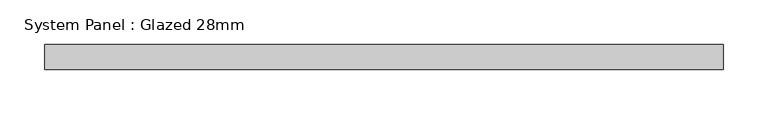
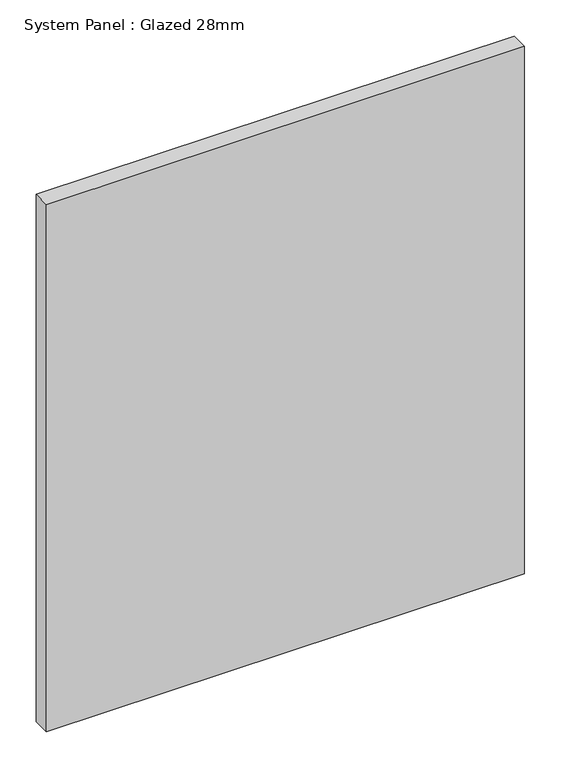
"""IFC4 building model written with IfcOpenShell, lengths in millimetres: plate geometry, System Panel : Glazed 28mm."""

from ifc_helpers import new_model, si_unit, origin, origin_with_axes, place, context, project, spatial, polyline, outline, extrude, source, transform, mapped, element, save


def system_panel_glazed_28mm_d3f2c09c(model_context):
    return source(origin(), model_context, "Body", "SweptSolid", [
        extrude(outline(polyline([(380.5468575, -14.0), (-380.5468575, -14.0), (-380.5468575, 14.0), (380.5468575, 14.0), (380.5468575, -14.0)])), origin_with_axes(), (0.0, 0.0, 1.0), 887.6849317),
    ])


if __name__ == "__main__":
    model = new_model("IFC4")
    model_context = context("Model", 3, world=origin())
    ifc_project = project(units=[si_unit("LENGTHUNIT", "METRE", prefix="MILLI")], contexts=[model_context])
    site = spatial("IfcSite", under=ifc_project)
    building = spatial("IfcBuilding", under=site)
    placement = place(None, origin())
    system_panel_glazed_28mm_shape = system_panel_glazed_28mm_d3f2c09c(model_context)
    element("IfcPlate", 1, ObjectType="System Panel : Glazed 28mm", at=placement, inside=building, context=model_context, shape_type="MappedRepresentation", body=[
        mapped(system_panel_glazed_28mm_shape, transform((0.0, 0.0, 0.0), x_axis=(1.0, 0.0, 0.0), y_axis=(0.0, 1.0, 0.0), z_axis=(0.0, 0.0, 1.0))),
    ])
    save(model, "model.ifc")
